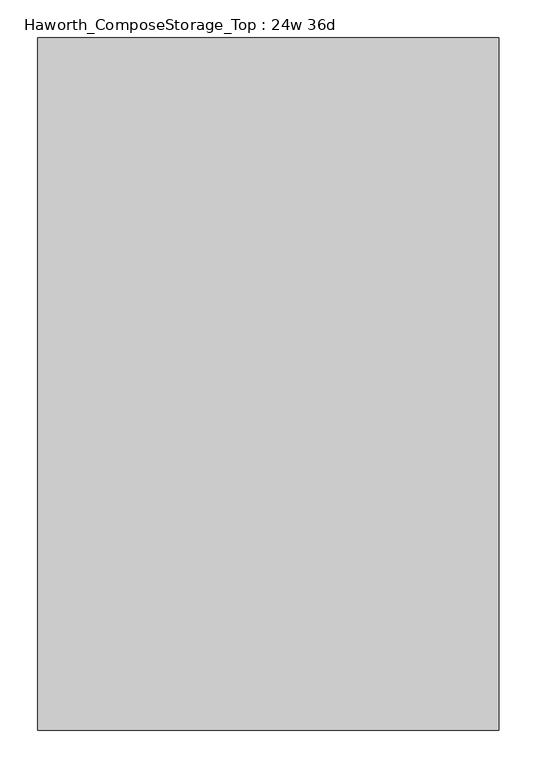
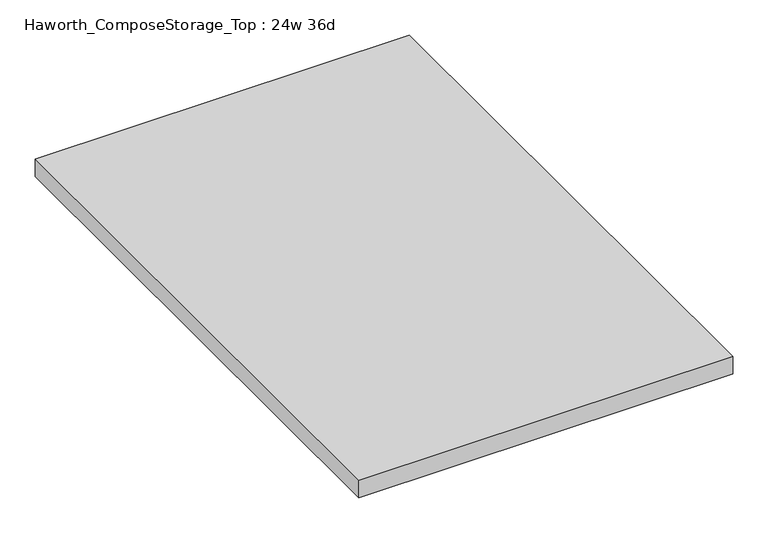
"""IFC4 building model written with IfcOpenShell, lengths in millimetres: furniture geometry, Haworth_ComposeStorage_Top : 24w 36d."""

import ifcopenshell
import ifcopenshell.guid

model = None  # the IFC model being written
_history = None  # IfcOwnerHistory: only IFC2X3 demands one
_inside = {}  # id of a spatial element -> (the spatial element, [elements in it])
_under = {}  # id of a project, library or spatial element -> (it, [spatial elements below it])
_declared = {}  # id of a project -> (the project, [libraries it declares])
_typed = {}  # id of a type object -> (the type object, [elements of that type])
_made_of = {}  # id of a material, layer set ... -> (it, [elements and type objects made of it])


def new_model(schema):
    """Start an empty IFC model of exactly this schema.

    Asked for "IFC4X3", IfcOpenShell would pick the latest addendum, in which some entities
    have other attributes; the version numbers below select the first issue.
    IFC2X3 requires an IfcOwnerHistory on every rooted entity: one is made here for all.
    """
    global model, _history
    if schema == "IFC4X3":
        model = ifcopenshell.file(schema_version=(4, 3, 0, 0))
    else:
        model = ifcopenshell.file(schema=schema)
    _inside.clear()
    _under.clear()
    _declared.clear()
    _typed.clear()
    _made_of.clear()
    _history = None
    if model.schema == "IFC2X3":
        org = make("IfcOrganization", Name="unknown")
        user = make(
            "IfcPersonAndOrganization",
            ThePerson=make("IfcPerson", FamilyName="unknown"),
            TheOrganization=org,
        )
        app = make(
            "IfcApplication",
            ApplicationDeveloper=org,
            Version="unknown",
            ApplicationFullName="unknown",
            ApplicationIdentifier="unknown",
        )
        _history = make(
            "IfcOwnerHistory",
            OwningUser=user,
            OwningApplication=app,
            ChangeAction="ADDED",
            CreationDate=0,
        )
    return model


def make(cls, **values):
    """One entity of the class cls with the attributes given. An attribute that is None is left unset."""
    return model.create_entity(
        cls, **{name: value for name, value in values.items() if value is not None}
    )


def rooted(cls, **values):
    """An entity with a GlobalId (a new one), such as an element, a storey or a relation."""
    return make(cls, GlobalId=ifcopenshell.guid.new(), OwnerHistory=_history, **values)


def si_unit(unit_type, name, prefix=None):
    """IfcSIUnit, for example si_unit("LENGTHUNIT", "METRE", prefix="MILLI")."""
    return make("IfcSIUnit", UnitType=unit_type, Prefix=prefix, Name=name)


def assignment(units):
    """IfcUnitAssignment: the units of a project."""
    return None if units is None else make("IfcUnitAssignment", Units=units)


def point(xyz):
    """IfcCartesianPoint."""
    return None if xyz is None else make("IfcCartesianPoint", Coordinates=xyz)


def direction(xyz):
    """IfcDirection."""
    return None if xyz is None else make("IfcDirection", DirectionRatios=xyz)


def frame(location, z_axis=None, x_axis=None):
    """IfcAxis2Placement3D, a coordinate frame: its origin and axes. An axis left out is left unset."""
    return make(
        "IfcAxis2Placement3D",
        Location=point(location),
        Axis=direction(z_axis),
        RefDirection=direction(x_axis),
    )


def origin():
    """The frame at (0, 0, 0) with its axes left unset."""
    return frame((0.0, 0.0, 0.0))


def place(relative_to, where):
    """IfcLocalPlacement: puts the frame where relative to a parent placement (None: the world)."""
    return make(
        "IfcLocalPlacement", PlacementRelTo=relative_to, RelativePlacement=where
    )


def context(
    kind, dimensions, precision=None, world=None, true_north=None, identifier=None
):
    """IfcGeometricRepresentationContext, for example the 3D "Model" context."""
    return make(
        "IfcGeometricRepresentationContext",
        ContextIdentifier=identifier,
        ContextType=kind,
        CoordinateSpaceDimension=dimensions,
        Precision=precision,
        WorldCoordinateSystem=world,
        TrueNorth=true_north,
    )


def project(units=None, contexts=None):
    """IfcProject with its units and contexts."""
    return rooted(
        "IfcProject",
        Name="project",
        RepresentationContexts=contexts,
        UnitsInContext=assignment(units),
    )


def spatial(cls, under=None, at=None, **own):
    """A site, building, storey or space (cls), placed at a placement, below another one or the project."""
    s = rooted(cls, ObjectPlacement=at, **own)
    if under is not None:
        _under.setdefault(under.id(), (under, []))[1].append(s)
    return s


def polyline(points):
    """IfcPolyline through the points."""
    return make("IfcPolyline", Points=[point(p) for p in points])


def outline(outer, holes=None, kind="AREA"):
    """IfcArbitraryClosedProfileDef: a profile drawn as a closed curve; with holes, ...WithVoids."""
    if holes is None:
        return make("IfcArbitraryClosedProfileDef", ProfileType=kind, OuterCurve=outer)
    return make(
        "IfcArbitraryProfileDefWithVoids",
        ProfileType=kind,
        OuterCurve=outer,
        InnerCurves=holes,
    )


def extrude(swept, where, along, depth):
    """IfcExtrudedAreaSolid: the profile swept, set in the frame where, extruded along a direction by depth."""
    return make(
        "IfcExtrudedAreaSolid",
        SweptArea=swept,
        Position=where,
        ExtrudedDirection=direction(along),
        Depth=depth,
    )


def shape(context_of_items, identifier, shape_type, items):
    """IfcShapeRepresentation: the items that make up one representation, for example the "Body"."""
    return make(
        "IfcShapeRepresentation",
        ContextOfItems=context_of_items,
        RepresentationIdentifier=identifier,
        RepresentationType=shape_type,
        Items=items,
    )


def source(mapping_origin, context_of_items, identifier, shape_type, items):
    """IfcRepresentationMap: a shape defined once, which mapped items show again and again."""
    return make(
        "IfcRepresentationMap",
        MappingOrigin=mapping_origin,
        MappedRepresentation=shape(context_of_items, identifier, shape_type, items),
    )


def transform(
    local_origin,
    x_axis=None,
    y_axis=None,
    z_axis=None,
    scale=None,
    scale2=None,
    scale3=None,
    uniform=True,
):
    """IfcCartesianTransformationOperator3D, or its non-uniform kind. x_axis, y_axis, z_axis: its Axis1, 2, 3."""
    if uniform:
        return make(
            "IfcCartesianTransformationOperator3D",
            Axis1=direction(x_axis),
            Axis2=direction(y_axis),
            LocalOrigin=point(local_origin),
            Scale=scale,
            Axis3=direction(z_axis),
        )
    return make(
        "IfcCartesianTransformationOperator3DnonUniform",
        Axis1=direction(x_axis),
        Axis2=direction(y_axis),
        LocalOrigin=point(local_origin),
        Scale=scale,
        Axis3=direction(z_axis),
        Scale2=scale2,
        Scale3=scale3,
    )


def mapped(mapping_source, mapping_target):
    """IfcMappedItem: shows the shape of a source again, moved by a transform."""
    return make(
        "IfcMappedItem", MappingSource=mapping_source, MappingTarget=mapping_target
    )


def made_of(thing, what):
    """Note that an element or type object is made of a material, layer set ...; save() writes the relation."""
    if what is not None:
        _made_of.setdefault(what.id(), (what, []))[1].append(thing)
    return thing


def element(
    cls,
    number,
    at=None,
    inside=None,
    cuts=None,
    type_object=None,
    material=None,
    context=None,
    identifier="Body",
    shape_type=None,
    held_by="IfcProductDefinitionShape",
    body=None,
    shapes=None,
    **own,
):
    """One element of the class cls, such as IfcWall. Its Tag is "e" and its number.

    at: its placement. inside: the storey or other place that contains it. cuts: it is an
    opening in that element (IfcRelVoidsElement). A single representation is given by context,
    identifier, shape_type and body (its items); several are given by shapes. held_by: the class
    of the entity that holds the representations. save() writes the other relations.
    """
    e = rooted(cls, Tag="e%d" % number, ObjectPlacement=at, **own)
    if body is not None:
        shapes = [shape(context, identifier, shape_type, body)]
    if shapes is not None:
        e.Representation = make(held_by, Representations=shapes)
    if inside is not None:
        _inside.setdefault(inside.id(), (inside, []))[1].append(e)
    if cuts is not None:
        rooted(
            "IfcRelVoidsElement", RelatingBuildingElement=cuts, RelatedOpeningElement=e
        )
    if type_object is not None:
        _typed.setdefault(type_object.id(), (type_object, []))[1].append(e)
    return made_of(e, material)


def aggregate(whole, parts):
    """IfcRelAggregates: a whole, such as a stair, and the parts it consists of."""
    return rooted("IfcRelAggregates", RelatingObject=whole, RelatedObjects=parts)


def save(model, path):
    """Write the relations noted so far, then the file.

    IfcRelAggregates (storeys below a building ...), IfcRelContainedInSpatialStructure (elements
    in a storey), IfcRelDefinesByType, IfcRelAssociatesMaterial and IfcRelDeclares: one each for
    every whole, place, type object, material and project.
    """
    for whole, parts in _under.values():
        aggregate(whole, parts)
    for where, things in _inside.values():
        rooted(
            "IfcRelContainedInSpatialStructure",
            RelatedElements=things,
            RelatingStructure=where,
        )
    for kind, things in _typed.values():
        rooted("IfcRelDefinesByType", RelatedObjects=things, RelatingType=kind)
    for what, things in _made_of.values():
        rooted("IfcRelAssociatesMaterial", RelatedObjects=things, RelatingMaterial=what)
    for by, libraries in _declared.values():
        rooted("IfcRelDeclares", RelatingContext=by, RelatedDefinitions=libraries)
    model.write(path)


def haworth_composestorage_top_24w_36d_5a1aab12(model_context):
    return source(origin(), model_context, "Body", "SweptSolid", [
        extrude(outline(polyline([(304.8, 457.2), (304.8, -457.2), (-304.8, -457.2), (-304.8, 457.2), (304.8, 457.2)])), frame((0.0, 0.0, 706.4375), z_axis=(0.0, 0.0, 1.0), x_axis=(1.0, 0.0, 0.0)), (0.0, 0.0, 1.0), 30.1625),
    ])


if __name__ == "__main__":
    model = new_model("IFC4")
    model_context = context("Model", 3, world=origin())
    ifc_project = project(units=[si_unit("LENGTHUNIT", "METRE", prefix="MILLI")], contexts=[model_context])
    site = spatial("IfcSite", under=ifc_project)
    building = spatial("IfcBuilding", under=site)
    placement = place(None, origin())
    haworth_composestorage_top_24w_36d_shape = haworth_composestorage_top_24w_36d_5a1aab12(model_context)
    element("IfcFurniture", 1, ObjectType="Haworth_ComposeStorage_Top : 24w 36d", at=placement, inside=building, context=model_context, shape_type="MappedRepresentation", body=[
        mapped(haworth_composestorage_top_24w_36d_shape, transform((0.0, 0.0, 0.0), x_axis=(1.0, 0.0, 0.0), y_axis=(0.0, 1.0, 0.0), z_axis=(0.0, 0.0, 1.0))),
    ])
    save(model, "model.ifc")
